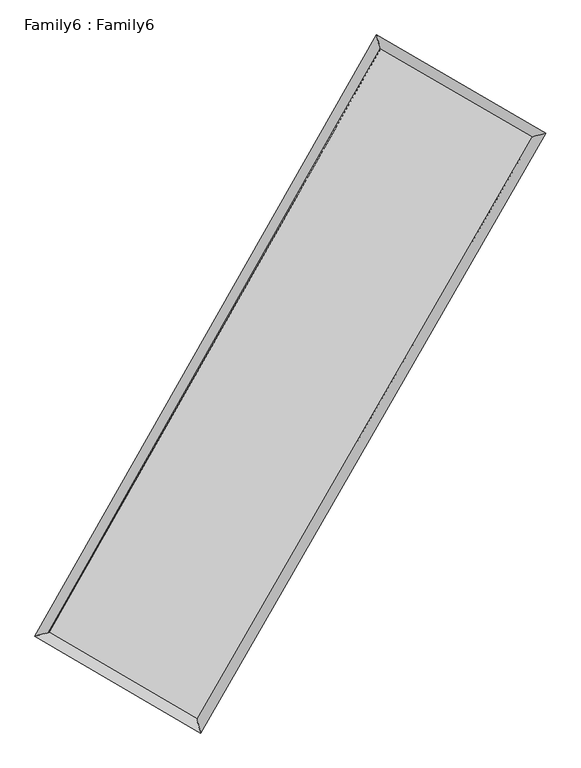
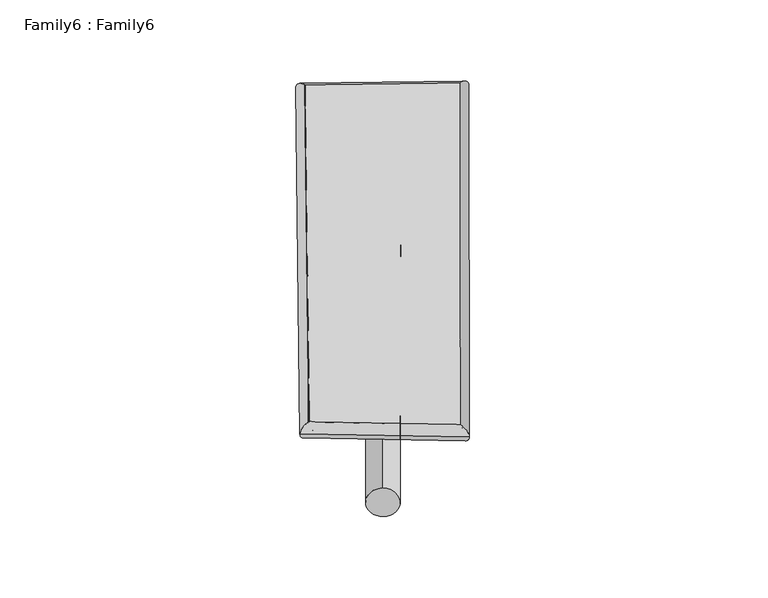
"""IFC4 building model written with IfcOpenShell, lengths in millimetres: plate geometry, Family6 : Family6."""

from ifc_helpers import new_model, si_unit, point, frame, origin, origin_2d, place, context, project, spatial, circle_curve, ellipse_curve, trimmed, segment, composite_curve, outline, extrude, source, transform, mapped, element, save
from ifc_brep_helpers import plane_surface, cylinder_surface, spline_surface, advanced_brep


def family6_family6_6b87dd62(model_context):
    return source(origin(), model_context, "Body", "SolidModel", [
        extrude(outline(composite_curve([segment(trimmed(circle_curve(origin_2d(), 76.2), [point((-75.4341514, -10.7763074))], [point((75.4341514, 10.7763074))], False, "CARTESIAN"), True, "CONTINUOUS"), segment(trimmed(circle_curve(origin_2d(), 76.2), [point((75.4341514, 10.7763074))], [point((-75.4341514, -10.7763074))], False, "CARTESIAN"), True, "CONTINUOUS")], self_intersect=False)), frame((9144.0, 9144.0, 0.0), z_axis=(0.6735469916754415, 0.6853919016972465, 0.27671716804852353), x_axis=(-0.6778633675680727, 0.7220376751396383, -0.13842994830678101)), (0.0, 0.0, 1.0), 5587.2418315),
        extrude(outline(composite_curve([segment(trimmed(circle_curve(origin_2d(), 76.2), [point((-53.8815367, 53.8815367))], [point((53.8815367, -53.8815367))], False, "CARTESIAN"), True, "CONTINUOUS"), segment(trimmed(circle_curve(origin_2d(), 76.2), [point((53.8815367, -53.8815367))], [point((-53.8815367, 53.8815367))], False, "CARTESIAN"), True, "CONTINUOUS")], self_intersect=False)), frame((9144.0, 9144.0, 0.0), z_axis=(-0.6698613260988837, -0.688727609386243, 0.2773807561208165), x_axis=(0.6452107404758617, -0.3550921290367108, 0.6764707534481933)), (0.0, 0.0, 1.0), 5574.6874551),
        extrude(outline(composite_curve([segment(trimmed(circle_curve(origin_2d(), 76.2), [point((-53.8815368, -53.8815367))], [point((53.8815368, 53.8815367))], False, "CARTESIAN"), True, "CONTINUOUS"), segment(trimmed(circle_curve(origin_2d(), 76.2), [point((53.8815368, 53.8815367))], [point((-53.8815368, -53.8815367))], False, "CARTESIAN"), True, "CONTINUOUS")], self_intersect=False)), frame((9144.0, 9144.0, 0.0), z_axis=(0.2514112843871558, 0.9299289853459721, 0.2683737101435449), x_axis=(-0.8434823881958246, 0.34649701745285105, -0.4104598368899778)), (0.0, 0.0, 1.0), 5586.4259379),
        extrude(outline(composite_curve([segment(trimmed(circle_curve(origin_2d(), 76.2), [point((-75.4341515, 10.7763073))], [point((75.4341515, -10.7763073))], False, "CARTESIAN"), True, "CONTINUOUS"), segment(trimmed(circle_curve(origin_2d(), 76.2), [point((75.4341515, -10.7763073))], [point((-75.4341515, 10.7763073))], False, "CARTESIAN"), True, "CONTINUOUS")], self_intersect=False)), frame((9144.0, 9144.0, 0.0), z_axis=(-0.25628565503981426, -0.9285944027688173, 0.26838423606321743), x_axis=(0.8844563395069591, -0.11327354311522533, 0.45266553650137076)), (0.0, 0.0, 1.0), 5584.4253529),
        advanced_brep(
        [(5202.9043255, 5249.0702703, 1542.9423824), (5202.8460146, 5248.9781745, 1550.8442896), (5616.560612, 5360.0474017, 1549.6796604), (10604.996978, 14130.1882911, 1503.9951527), (10491.9840624, 14547.7705172, 1494.5045581), (5616.6189229, 5360.1394975, 1541.7777533), (12699.2982582, 12917.7691332, 1545.5795612), (13115.2415965, 13029.131475, 1546.5919124), (7657.3001164, 4167.2844912, 1499.6544227), (7768.2836644, 3749.3832581, 1497.8890417)],
        [
            (0, 1, ellipse_curve(frame((5409.7324688, 5304.558836, 1546.3110214), z_axis=(-0.2592508760734311, 0.9657648243016261, 0.009342772436895457), x_axis=(-0.9656464630734782, -0.2593728631469977, 0.015894219597394784)), 214.2732086, 152.4)),
            (1, 2, ellipse_curve(frame((5409.7324688, 5304.558836, 1546.3110214), z_axis=(-0.2592508760734311, 0.9657648243016261, 0.009342772436895457), x_axis=(-0.9656464630734782, -0.2593728631469977, 0.015894219597394784)), 214.2732086, 152.4)),
            (2, 3),
            (3, 4, ellipse_curve(frame((10548.4905202, 14338.9794041, 1499.2498554), z_axis=(-0.9651839056823348, -0.261417958803942, -0.00898215044264599), x_axis=(0.2612653471767016, -0.9651458780185126, 0.015292236870777558)), 216.3592467, 152.4)),
            (4, 0),
            (2, 5, ellipse_curve(frame((5409.7324688, 5304.558836, 1546.3110214), z_axis=(-0.2592508760734311, 0.9657648243016261, 0.009342772436895457), x_axis=(-0.9656464630734782, -0.2593728631469977, 0.015894219597394784)), 214.2732086, 152.4)),
            (5, 0, ellipse_curve(frame((5409.7324688, 5304.558836, 1546.3110214), z_axis=(-0.2592508760734311, 0.9657648243016261, 0.009342772436895457), x_axis=(-0.9656464630734782, -0.2593728631469977, 0.015894219597394784)), 214.2732086, 152.4)),
            (4, 3, ellipse_curve(frame((10548.4905202, 14338.9794041, 1499.2498554), z_axis=(-0.9651839056823348, -0.261417958803942, -0.00898215044264599), x_axis=(0.2612653471767016, -0.9651458780185126, 0.015292236870777558)), 216.3592467, 152.4)),
            (3, 6),
            (6, 7, ellipse_curve(frame((12907.2699273, 12973.4503041, 1546.0857368), z_axis=(-0.25859488750841164, 0.9659446300865586, -0.008925007644454705), x_axis=(-0.9658333435253084, -0.25870719887586824, -0.015379784931063938)), 215.3153562, 152.4)),
            (7, 4),
            (7, 6, ellipse_curve(frame((12907.2699273, 12973.4503041, 1546.0857368), z_axis=(-0.25859488750841164, 0.9659446300865586, -0.008925007644454705), x_axis=(-0.9658333435253084, -0.25870719887586824, -0.015379784931063938)), 215.3153562, 152.4)),
            (6, 8),
            (8, 9, ellipse_curve(frame((7712.7918904, 3958.3338746, 1498.7717322), z_axis=(0.9664447562224806, 0.2567020092250961, -0.009413375051945448), x_axis=(-0.25653804488764176, 0.9664055577422638, 0.0157648181115521)), 216.2103999, 152.4)),
            (9, 7),
            (9, 8, ellipse_curve(frame((7712.7918904, 3958.3338746, 1498.7717322), z_axis=(0.9664447562224806, 0.2567020092250961, -0.009413375051945448), x_axis=(-0.25653804488764176, 0.9664055577422638, 0.0157648181115521)), 216.2103999, 152.4)),
            (8, 5),
            (1, 9),
        ],
        [
            cylinder_surface(frame((5409.7324688, 5304.558836, 1546.3110214), z_axis=(-0.4944090093147953, -0.8692175965720705, 0.004527838097372941), x_axis=(-0.8689790105939539, 0.4941348727645211, -0.026574549199254633)), 152.4),
            cylinder_surface(frame((10548.4905202, 14338.9794041, 1499.2498554), z_axis=(-0.8653112659163548, 0.5009403213268178, -0.017181604908173727), x_axis=(0.5011719751459509, 0.8652372832342842, -0.013823712586044435)), 152.4),
            cylinder_surface(frame((12907.2699273, 12973.4503041, 1546.0857368), z_axis=(0.4992448454520748, 0.8664490207806411, 0.004547381422546645), x_axis=(0.8664600999355346, -0.4992448454520748, -0.0012163507871012524)), 152.4),
            cylinder_surface(frame((7712.7918904, 3958.3338746, 1498.7717322), z_axis=(0.8631889774480835, -0.5045664635802505, -0.017817773212496623), x_axis=(-0.5044226803504509, -0.8633715705915379, 0.012136335623579629)), 152.4),
        ],
        [
            (0, [[1, 2, 3, 4, 5]]),
            (0, [[6, 7, -5, 8, -3]]),
            (1, [[-4, 9, 10, 11]]),
            (1, [[-8, -11, 12, -9]]),
            (2, [[-10, 13, 14, 15]]),
            (2, [[-12, -15, 16, -13]]),
            (3, [[-14, 17, -6, -2, 18]]),
            (3, [[-16, -18, -1, -7, -17]]),
        ],
    ),
        extrude(outline(composite_curve([segment(trimmed(circle_curve(origin_2d(), 304.8), [point((0.0, 304.8))], [point((1e-07, -304.8))], False, "CARTESIAN"), True, "CONTINUOUS"), segment(trimmed(circle_curve(origin_2d(), 304.8), [point((1e-07, -304.8))], [point((0.0, 304.8))], False, "CARTESIAN"), True, "CONTINUOUS")], self_intersect=False)), frame((11761.1225546, 13661.536628, -0.0183288), z_axis=(-0.501281073488696, -0.8652845112156439, 3.5106799369920214e-06), x_axis=(-0.8652845112222514, 0.501281073488696, -9.434686220300334e-07)), (0.0, 0.0, 1.0), 10441.7369534),
        advanced_brep(
        [(5409.7324688, 5304.558836, 1546.3110214), (7712.7918904, 3958.3338746, 1498.7717322), (7712.7831499, 3958.3363095, 1651.1717319), (5409.7237283, 5304.5612709, 1698.7110212), (12907.2699273, 12973.4503041, 1546.0857368), (12907.2611868, 12973.452739, 1698.4857365), (10548.4905202, 14338.9794041, 1499.2498554), (10548.4817797, 14338.981839, 1651.6498551)],
        [
            (0, 1),
            (1, 2),
            (2, 3),
            (3, 0),
            (1, 4),
            (4, 5),
            (5, 2),
            (4, 6),
            (6, 7),
            (7, 5),
            (6, 0),
            (3, 7),
        ],
        [
            plane_surface(frame((6561.2621796, 4631.4463553, 1522.5413768), z_axis=(-0.5046468087948507, -0.8633258933587432, -1.5149299611787528e-05), x_axis=(0.8631889774480838, -0.5045664635802499, -0.017817773212496626))),
            plane_surface(frame((10310.0309089, 8465.8920894, 1522.4287345), z_axis=(0.8664578470605152, -0.49925023379206934, 5.7669932662483695e-05), x_axis=(0.4992448454520746, 0.8664490207806412, 0.0045473814225466475))),
            plane_surface(frame((11727.8802238, 13656.2148541, 1522.6677961), z_axis=(0.5010140566306946, 0.8654391456574118, 1.49071892302996e-05), x_axis=(-0.8653112659163548, 0.5009403213268174, -0.01718160490817373))),
            plane_surface(frame((7979.1114945, 9821.7691201, 1522.7804384), z_axis=(-0.8692266345979092, 0.49441384929061444, -5.775145810252595e-05), x_axis=(-0.4944090093147954, -0.8692175965720705, 0.004527838097372944))),
            spline_surface(1, 1, [[(7712.7831499, 3958.3363095, 1651.1717319), (5409.7237283, 5304.5612709, 1698.7110212)], [(12907.2611868, 12973.452739, 1698.4857365), (10548.4817797, 14338.981839, 1651.6498551)]], [2, 2], [2, 2], [0.0, 1.0], [0.0, 1.0]),
            spline_surface(1, 1, [[(10548.4905202, 14338.9794041, 1499.2498554), (5409.7324688, 5304.558836, 1546.3110214)], [(12907.2699273, 12973.4503041, 1546.0857368), (7712.7918904, 3958.3338746, 1498.7717322)]], [2, 2], [2, 2], [0.0, 1.0], [0.0, 1.0]),
        ],
        [
            (0, [[1, 2, 3, 4]]),
            (1, [[5, 6, 7, -2]]),
            (2, [[8, 9, 10, -6]]),
            (3, [[11, -4, 12, -9]]),
            (4, [[-3, -7, -10, -12]]),
            (5, [[-11, -8, -5, -1]]),
        ],
    ),
    ])


if __name__ == "__main__":
    model = new_model("IFC4")
    model_context = context("Model", 3, world=origin())
    ifc_project = project(units=[si_unit("LENGTHUNIT", "METRE", prefix="MILLI")], contexts=[model_context])
    site = spatial("IfcSite", under=ifc_project)
    building = spatial("IfcBuilding", under=site)
    placement = place(None, origin())
    family6_family6_shape = family6_family6_6b87dd62(model_context)
    element("IfcPlate", 1, ObjectType="Family6 : Family6", at=placement, inside=building, context=model_context, shape_type="MappedRepresentation", body=[
        mapped(family6_family6_shape, transform((0.0, 0.0, 0.0), x_axis=(1.0, 0.0, 0.0), y_axis=(0.0, 1.0, 0.0), z_axis=(0.0, 0.0, 1.0))),
    ])
    save(model, "model.ifc")
